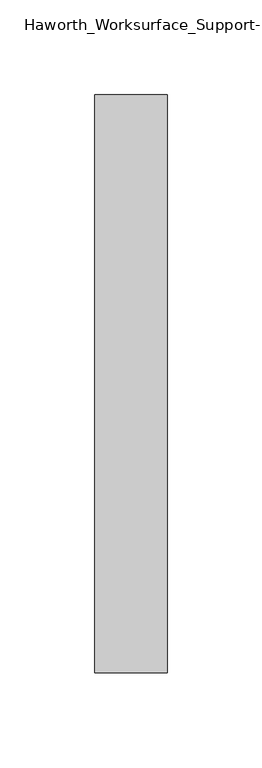
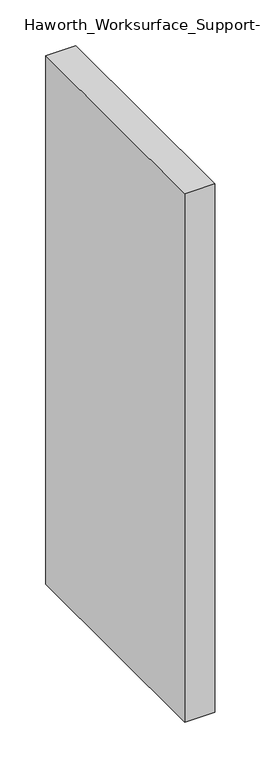
"""IFC4 building model written with IfcOpenShell, lengths in millimetres: furniture geometry."""

from ifc_helpers import new_model, si_unit, origin, origin_with_axes, place, context, project, spatial, polyline, outline, extrude, source, transform, mapped, element, save


def furniture_74756bf9(model_context):
    return source(origin(), model_context, "Body", "SweptSolid", [
        extrude(outline(polyline([(234.95, 181.2465234), (234.95, -123.5534766), (196.85, -123.5534766), (196.85, 181.2465234), (234.95, 181.2465234)])), origin_with_axes(), (0.0, 0.0, 1.0), 706.4375),
    ])


if __name__ == "__main__":
    model = new_model("IFC4")
    model_context = context("Model", 3, world=origin())
    ifc_project = project(units=[si_unit("LENGTHUNIT", "METRE", prefix="MILLI")], contexts=[model_context])
    site = spatial("IfcSite", under=ifc_project)
    building = spatial("IfcBuilding", under=site)
    placement = place(None, origin())
    furniture_shape = furniture_74756bf9(model_context)
    element("IfcFurniture", 1, ObjectType="Haworth_Worksurface_Support-Panel : 12\" Depth", at=placement, inside=building, context=model_context, shape_type="MappedRepresentation", body=[
        mapped(furniture_shape, transform((0.0, 0.0, 0.0), x_axis=(1.0, 0.0, 0.0), y_axis=(0.0, 1.0, 0.0), z_axis=(0.0, 0.0, 1.0))),
    ])
    save(model, "model.ifc")
